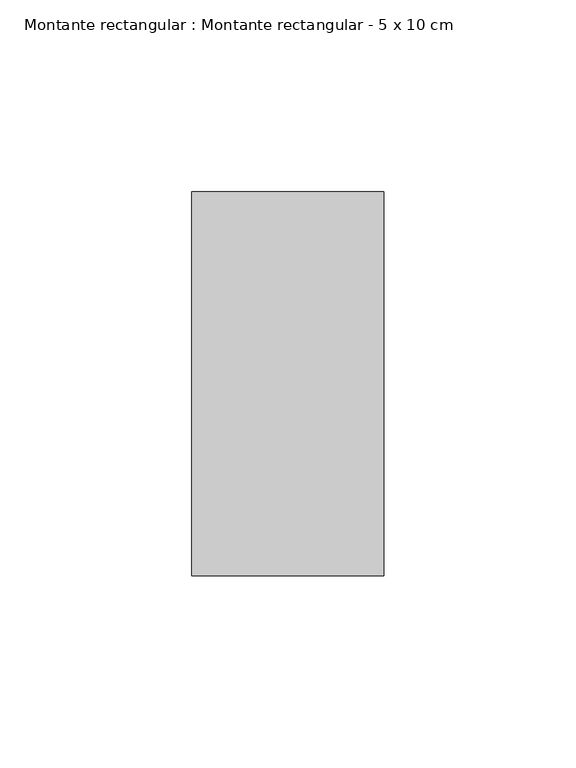
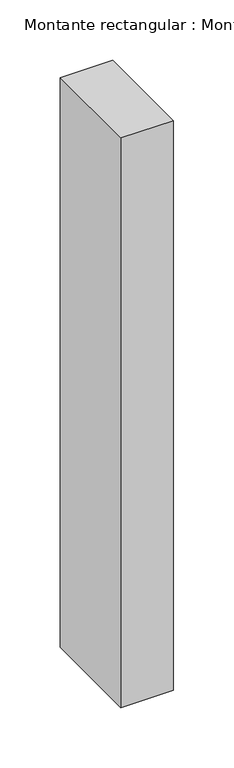
"""IFC4 building model written with IfcOpenShell, lengths in millimetres: member geometry, Montante rectangular : Montante rectangular - 5 x 10 cm."""

from ifc_helpers import new_model, si_unit, frame, origin, place, context, project, spatial, polyline, outline, extrude, source, transform, mapped, element, save


def montante_rectangular_montante_rectangular_5_x_10_cm_c1d2f458(model_context):
    return source(origin(), model_context, "Body", "SweptSolid", [
        extrude(outline(polyline([(-50.0, 50.0), (0.0, 50.0), (0.0, -50.0), (-50.0, -50.0), (-50.0, 50.0)])), frame((0.0, 0.0, -575.0), z_axis=(0.0, 0.0, 1.0), x_axis=(1.0, 0.0, 0.0)), (0.0, 0.0, 1.0), 575.0),
    ])


if __name__ == "__main__":
    model = new_model("IFC4")
    model_context = context("Model", 3, world=origin())
    ifc_project = project(units=[si_unit("LENGTHUNIT", "METRE", prefix="MILLI")], contexts=[model_context])
    site = spatial("IfcSite", under=ifc_project)
    building = spatial("IfcBuilding", under=site)
    placement = place(None, origin())
    montante_rectangular_montante_rectangular_5_x_10_cm_shape = montante_rectangular_montante_rectangular_5_x_10_cm_c1d2f458(model_context)
    element("IfcMember", 1, ObjectType="Montante rectangular : Montante rectangular - 5 x 10 cm", at=placement, inside=building, context=model_context, shape_type="MappedRepresentation", body=[
        mapped(montante_rectangular_montante_rectangular_5_x_10_cm_shape, transform((0.0, 0.0, 0.0), x_axis=(1.0, 0.0, 0.0), y_axis=(0.0, 1.0, 0.0), z_axis=(0.0, 0.0, 1.0))),
    ])
    save(model, "model.ifc")
